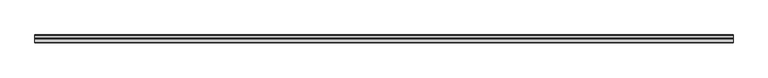
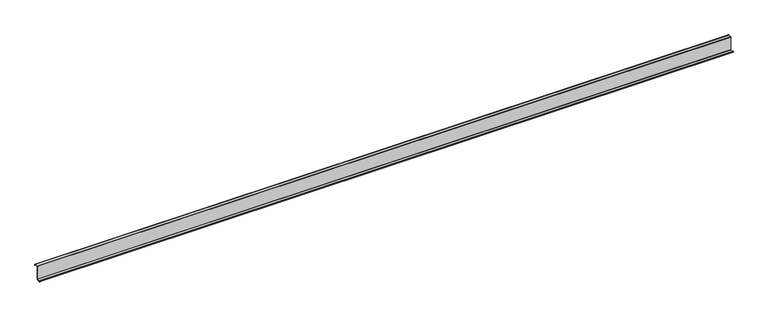
"""IFC4 building model written with IfcOpenShell, lengths in millimetres: member geometry."""

from ifc_helpers import new_model, si_unit, point, frame, frame_2d, origin, place, context, project, spatial, polyline, circle_curve, trimmed, segment, composite_curve, outline, extrude, source, transform, mapped, element, save


def member_92b3bfb0(model_context):
    return source(origin(), model_context, "Body", "SweptSolid", [
        extrude(outline(composite_curve([segment(trimmed(circle_curve(frame_2d((-3.5, -123.5)), 3.5), [point((0.0, -123.5))], [point((-3.5, -127.0))], False, "CARTESIAN"), True, "CONTINUOUS"), segment(polyline([(-3.5, -127.0), (-75.0, -127.0)]), True, "CONTINUOUS"), segment(trimmed(circle_curve(frame_2d((-75.0, -123.5)), 3.5), [point((-75.0, -127.0))], [point((-78.5, -123.5))], False, "CARTESIAN"), True, "CONTINUOUS"), segment(polyline([(-78.5, -123.5), (-78.5, -107.5), (-77.0, -107.5), (-77.0, -123.5)]), True, "CONTINUOUS"), segment(trimmed(circle_curve(frame_2d((-75.0, -123.5)), 2.0), [point((-77.0, -123.5))], [point((-75.0, -125.5))], True, "CARTESIAN"), True, "CONTINUOUS"), segment(polyline([(-75.0, -125.5), (-3.5, -125.5)]), True, "CONTINUOUS"), segment(trimmed(circle_curve(frame_2d((-3.5, -123.5)), 2.0), [point((-3.5, -125.5))], [point((-1.5, -123.5))], True, "CARTESIAN"), True, "CONTINUOUS"), segment(polyline([(-1.5, -123.5), (-1.5, 123.5)]), True, "CONTINUOUS"), segment(trimmed(circle_curve(frame_2d((2.0, 123.5)), 3.5), [point((-1.5, 123.5))], [point((2.0, 127.0))], False, "CARTESIAN"), True, "CONTINUOUS"), segment(polyline([(2.0, 127.0), (63.5, 127.0)]), True, "CONTINUOUS"), segment(trimmed(circle_curve(frame_2d((63.5, 123.5)), 3.5), [point((63.5, 127.0))], [point((67.0, 123.5))], False, "CARTESIAN"), True, "CONTINUOUS"), segment(polyline([(67.0, 123.5), (67.0, 107.0), (65.5, 107.0), (65.5, 123.5)]), True, "CONTINUOUS"), segment(trimmed(circle_curve(frame_2d((63.5, 123.5)), 2.0), [point((65.5, 123.5))], [point((63.5, 125.5))], True, "CARTESIAN"), True, "CONTINUOUS"), segment(polyline([(63.5, 125.5), (2.0, 125.5)]), True, "CONTINUOUS"), segment(trimmed(circle_curve(frame_2d((2.0, 123.5)), 2.0), [point((2.0, 125.5))], [point((0.0, 123.5))], True, "CARTESIAN"), True, "CONTINUOUS"), segment(polyline([(0.0, 123.5), (0.0, -123.5)]), True, "CONTINUOUS")], self_intersect=False)), frame((-6400.0, 0.0, 0.0), z_axis=(1.0, 0.0, 0.0), x_axis=(0.0, 1.0, 0.0)), (0.0, 0.0, 1.0), 12800.0),
    ])


if __name__ == "__main__":
    model = new_model("IFC4")
    model_context = context("Model", 3, world=origin())
    ifc_project = project(units=[si_unit("LENGTHUNIT", "METRE", prefix="MILLI")], contexts=[model_context])
    site = spatial("IfcSite", under=ifc_project)
    building = spatial("IfcBuilding", under=site)
    placement = place(None, origin())
    member_shape = member_92b3bfb0(model_context)
    element("IfcMember", 1, at=placement, inside=building, context=model_context, shape_type="MappedRepresentation", body=[
        mapped(member_shape, transform((0.0, 0.0, 0.0), x_axis=(1.0, 0.0, 0.0), y_axis=(0.0, 1.0, 0.0), z_axis=(0.0, 0.0, 1.0))),
    ])
    save(model, "model.ifc")
